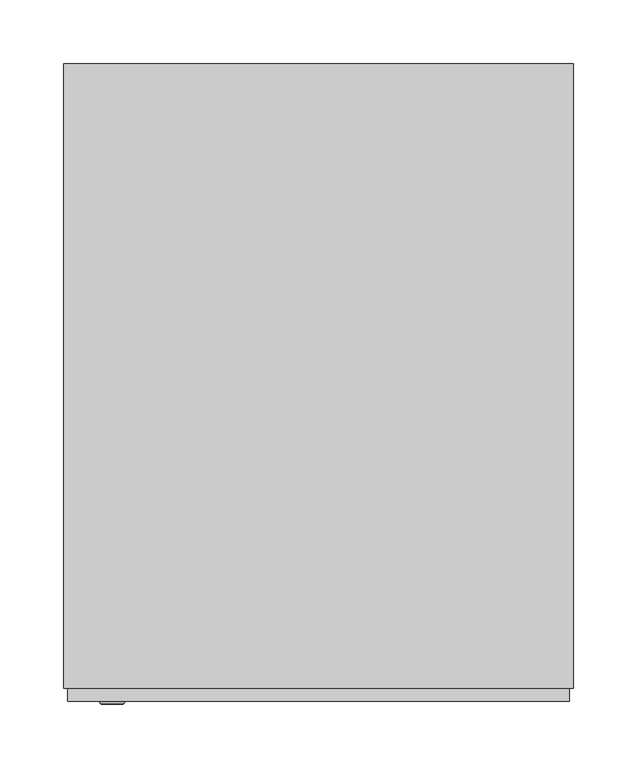
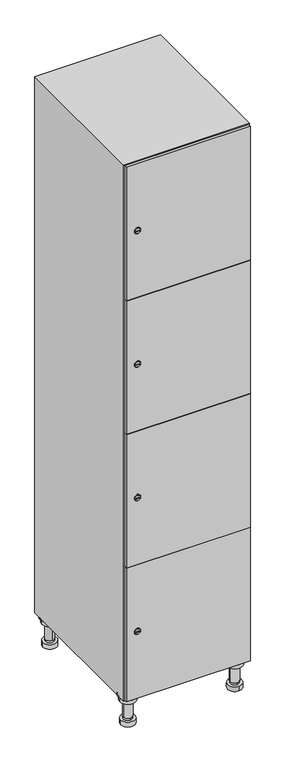
"""IFC4 building model written with IfcOpenShell, lengths in millimetres: furniture geometry."""

from ifc_helpers import new_model, si_unit, point, frame, frame_2d, origin, place, context, project, spatial, polyline, circle_curve, trimmed, segment, composite_curve, outline, extrude, faceted_brep, source, transform, mapped, element, save
from ifc_brep_helpers import plane_surface, cylinder_surface, revolved_surface, advanced_brep


def furniture_ac4beac0(model_context):
    return source(origin(), model_context, "Body", "SolidModel", [
        advanced_brep(
        [(170.0, -201.0, 22.0), (170.0, -201.5, 16.0), (170.0, -228.5, 16.0), (170.0, -229.0, 22.0), (156.0, -215.0, 22.0), (184.0, -215.0, 22.0), (170.0, -192.5, 16.0), (170.0, -237.5, 16.0), (170.0, -192.5, 0.0), (170.0, -237.5, 0.0), (184.0, -215.0, 78.0), (156.0, -215.0, 78.0), (195.0, -215.0, 78.0), (145.0, -215.0, 78.0), (200.0, -215.0, 94.0), (140.0, -215.0, 94.0), (145.0, -215.0, 94.0), (195.0, -215.0, 94.0), (200.0, -215.0, 100.0), (140.0, -215.0, 100.0)],
        [
            (0, 1),
            (1, 2, circle_curve(frame((170.0, -215.0, 16.0), z_axis=(0.0, 0.0, 1.0), x_axis=(0.0, -1.0, 0.0)), 13.5)),
            (2, 3),
            (3, 4, circle_curve(frame((170.0, -215.0, 22.0), z_axis=(0.0, 0.0, -1.0), x_axis=(0.0, -1.0, 0.0)), 14.0)),
            (4, 0, circle_curve(frame((170.0, -215.0, 22.0), z_axis=(0.0, 0.0, -1.0), x_axis=(0.0, -1.0, 0.0)), 14.0)),
            (0, 5, circle_curve(frame((170.0, -215.0, 22.0), z_axis=(0.0, 0.0, -1.0), x_axis=(0.0, 1.0, 0.0)), 14.0)),
            (5, 3, circle_curve(frame((170.0, -215.0, 22.0), z_axis=(0.0, 0.0, -1.0), x_axis=(0.0, 1.0, 0.0)), 14.0)),
            (2, 1, circle_curve(frame((170.0, -215.0, 16.0), z_axis=(0.0, 0.0, 1.0), x_axis=(0.0, 1.0, 0.0)), 13.5)),
            (6, 7, circle_curve(frame((170.0, -215.0, 16.0), z_axis=(0.0, 0.0, 1.0), x_axis=(0.0, -1.0, 0.0)), 22.5)),
            (7, 6, circle_curve(frame((170.0, -215.0, 16.0), z_axis=(0.0, 0.0, 1.0), x_axis=(0.0, -1.0, 0.0)), 22.5)),
            (8, 9, circle_curve(frame((170.0, -215.0, 0.0), z_axis=(0.0, 0.0, -1.0), x_axis=(0.0, -1.0, 0.0)), 22.5)),
            (9, 8, circle_curve(frame((170.0, -215.0, 0.0), z_axis=(0.0, 0.0, -1.0), x_axis=(0.0, -1.0, 0.0)), 22.5)),
            (6, 8),
            (9, 7),
            (5, 10),
            (10, 11, circle_curve(frame((170.0, -215.0, 78.0), z_axis=(0.0, 0.0, -1.0), x_axis=(-1.0, 0.0, 0.0)), 14.0)),
            (11, 4),
            (11, 10, circle_curve(frame((170.0, -215.0, 78.0), z_axis=(0.0, 0.0, -1.0), x_axis=(-1.0, 0.0, 0.0)), 14.0)),
            (12, 13, circle_curve(frame((170.0, -215.0, 78.0), z_axis=(0.0, 0.0, -1.0), x_axis=(-1.0, 0.0, 0.0)), 25.0)),
            (13, 12, circle_curve(frame((170.0, -215.0, 78.0), z_axis=(0.0, 0.0, -1.0), x_axis=(-1.0, 0.0, 0.0)), 25.0)),
            (14, 15, circle_curve(frame((170.0, -215.0, 94.0), z_axis=(0.0, 0.0, -1.0), x_axis=(-1.0, 0.0, 0.0)), 30.0)),
            (15, 14, circle_curve(frame((170.0, -215.0, 94.0), z_axis=(0.0, 0.0, -1.0), x_axis=(-1.0, 0.0, 0.0)), 30.0)),
            (16, 17, circle_curve(frame((170.0, -215.0, 94.0), z_axis=(0.0, 0.0, 1.0), x_axis=(-1.0, 0.0, 0.0)), 25.0)),
            (17, 16, circle_curve(frame((170.0, -215.0, 94.0), z_axis=(0.0, 0.0, 1.0), x_axis=(-1.0, 0.0, 0.0)), 25.0)),
            (18, 19, circle_curve(frame((170.0, -215.0, 100.0), z_axis=(0.0, 0.0, 1.0), x_axis=(-1.0, 0.0, 0.0)), 30.0)),
            (19, 18, circle_curve(frame((170.0, -215.0, 100.0), z_axis=(0.0, 0.0, 1.0), x_axis=(-1.0, 0.0, 0.0)), 30.0)),
            (14, 18),
            (19, 15),
            (12, 17),
            (16, 13),
        ],
        [
            revolved_surface(polyline([(170.0, -201.5, 16.0), (170.0, -201.0, 22.0)]), (170.0, -215.0, -146.0), (0.0, 0.0, 1.0)),
            plane_surface(frame((170.0, 0.0, 16.0), z_axis=(0.0, 0.0, 1.0), x_axis=(0.0, -1.0, 0.0))),
            plane_surface(frame((170.0, 0.0, 0.0), z_axis=(0.0, 0.0, -1.0), x_axis=(0.0, -1.0, 0.0))),
            cylinder_surface(frame((170.0, -215.0, 16.0), z_axis=(0.0, 0.0, 1.0), x_axis=(0.0, -1.0, 0.0)), 22.5),
            cylinder_surface(frame((170.0, -215.0, 22.0), z_axis=(0.0, 0.0, -1.0), x_axis=(-1.0, 0.0, 0.0)), 14.0),
            plane_surface(frame((170.0, 0.0, 78.0), z_axis=(0.0, 0.0, -1.0), x_axis=(0.0, -1.0, 0.0))),
            plane_surface(frame((170.0, 0.0, 94.0), z_axis=(0.0, 0.0, -1.0), x_axis=(0.0, -1.0, 0.0))),
            plane_surface(frame((170.0, 0.0, 100.0), z_axis=(0.0, 0.0, 1.0), x_axis=(0.0, -1.0, 0.0))),
            cylinder_surface(frame((170.0, -215.0, 94.0), z_axis=(0.0, 0.0, -1.0), x_axis=(-1.0, 0.0, 0.0)), 30.0),
            cylinder_surface(frame((170.0, -215.0, 78.0), z_axis=(0.0, 0.0, -1.0), x_axis=(-1.0, 0.0, 0.0)), 25.0),
        ],
        [
            (0, [[1, 2, 3, 4, 5]]),
            (0, [[-1, 6, 7, -3, 8]]),
            (1, [[9, 10], [-2, -8]]),
            (2, [[11, 12]]),
            (3, [[-9, 13, -12, 14]]),
            (3, [[-10, -14, -11, -13]]),
            (4, [[15, 16, 17, -4, -7]]),
            (4, [[-15, -6, -5, -17, 18]]),
            (5, [[19, 20], [-16, -18]]),
            (6, [[21, 22], [23, 24]]),
            (7, [[25, 26]]),
            (8, [[-21, 27, -26, 28]]),
            (8, [[-22, -28, -25, -27]]),
            (9, [[-19, 29, -23, 30]]),
            (9, [[-20, -30, -24, -29]]),
        ],
    ),
        advanced_brep(
        [(-170.0, -201.0, 22.0), (-170.0, -201.5, 16.0), (-170.0, -228.5, 16.0), (-170.0, -229.0, 22.0), (-184.0, -215.0, 22.0), (-156.0, -215.0, 22.0), (-147.5, -215.0, 0.0), (-192.5, -215.0, 0.0), (-147.5, -215.0, 16.0), (-192.5, -215.0, 16.0), (-156.0, -215.0, 78.0), (-184.0, -215.0, 78.0), (-145.0, -215.0, 78.0), (-195.0, -215.0, 78.0), (-140.0, -215.0, 94.0), (-200.0, -215.0, 94.0), (-195.0, -215.0, 94.0), (-145.0, -215.0, 94.0), (-140.0, -215.0, 100.0), (-200.0, -215.0, 100.0)],
        [
            (0, 1),
            (1, 2, circle_curve(frame((-170.0, -215.0, 16.0), z_axis=(0.0, 0.0, 1.0), x_axis=(0.0, -1.0, 0.0)), 13.5)),
            (2, 3),
            (3, 4, circle_curve(frame((-170.0, -215.0, 22.0), z_axis=(0.0, 0.0, -1.0), x_axis=(0.0, -1.0, 0.0)), 14.0)),
            (4, 0, circle_curve(frame((-170.0, -215.0, 22.0), z_axis=(0.0, 0.0, -1.0), x_axis=(0.0, -1.0, 0.0)), 14.0)),
            (0, 5, circle_curve(frame((-170.0, -215.0, 22.0), z_axis=(0.0, 0.0, -1.0), x_axis=(0.0, 1.0, 0.0)), 14.0)),
            (5, 3, circle_curve(frame((-170.0, -215.0, 22.0), z_axis=(0.0, 0.0, -1.0), x_axis=(0.0, 1.0, 0.0)), 14.0)),
            (2, 1, circle_curve(frame((-170.0, -215.0, 16.0), z_axis=(0.0, 0.0, 1.0), x_axis=(0.0, 1.0, 0.0)), 13.5)),
            (6, 7, circle_curve(frame((-170.0, -215.0, 0.0), z_axis=(0.0, 0.0, -1.0), x_axis=(-1.0, 0.0, 0.0)), 22.5)),
            (7, 6, circle_curve(frame((-170.0, -215.0, 0.0), z_axis=(0.0, 0.0, -1.0), x_axis=(-1.0, 0.0, 0.0)), 22.5)),
            (8, 9, circle_curve(frame((-170.0, -215.0, 16.0), z_axis=(0.0, 0.0, 1.0), x_axis=(-1.0, 0.0, 0.0)), 22.5)),
            (9, 8, circle_curve(frame((-170.0, -215.0, 16.0), z_axis=(0.0, 0.0, 1.0), x_axis=(-1.0, 0.0, 0.0)), 22.5)),
            (6, 8),
            (9, 7),
            (5, 10),
            (10, 11, circle_curve(frame((-170.0, -215.0, 78.0), z_axis=(0.0, 0.0, -1.0), x_axis=(-1.0, 0.0, 0.0)), 14.0)),
            (11, 4),
            (11, 10, circle_curve(frame((-170.0, -215.0, 78.0), z_axis=(0.0, 0.0, -1.0), x_axis=(-1.0, 0.0, 0.0)), 14.0)),
            (12, 13, circle_curve(frame((-170.0, -215.0, 78.0), z_axis=(0.0, 0.0, -1.0), x_axis=(-1.0, 0.0, 0.0)), 25.0)),
            (13, 12, circle_curve(frame((-170.0, -215.0, 78.0), z_axis=(0.0, 0.0, -1.0), x_axis=(-1.0, 0.0, 0.0)), 25.0)),
            (14, 15, circle_curve(frame((-170.0, -215.0, 94.0), z_axis=(0.0, 0.0, -1.0), x_axis=(-1.0, 0.0, 0.0)), 30.0)),
            (15, 14, circle_curve(frame((-170.0, -215.0, 94.0), z_axis=(0.0, 0.0, -1.0), x_axis=(-1.0, 0.0, 0.0)), 30.0)),
            (16, 17, circle_curve(frame((-170.0, -215.0, 94.0), z_axis=(0.0, 0.0, 1.0), x_axis=(-1.0, 0.0, 0.0)), 25.0)),
            (17, 16, circle_curve(frame((-170.0, -215.0, 94.0), z_axis=(0.0, 0.0, 1.0), x_axis=(-1.0, 0.0, 0.0)), 25.0)),
            (18, 19, circle_curve(frame((-170.0, -215.0, 100.0), z_axis=(0.0, 0.0, 1.0), x_axis=(-1.0, 0.0, 0.0)), 30.0)),
            (19, 18, circle_curve(frame((-170.0, -215.0, 100.0), z_axis=(0.0, 0.0, 1.0), x_axis=(-1.0, 0.0, 0.0)), 30.0)),
            (14, 18),
            (19, 15),
            (12, 17),
            (16, 13),
        ],
        [
            revolved_surface(polyline([(-170.0, -201.5, 16.0), (-170.0, -201.0, 22.0)]), (-170.0, -215.0, -146.0), (0.0, 0.0, 1.0)),
            plane_surface(frame((-170.0, 0.0, 0.0), z_axis=(0.0, 0.0, -1.0), x_axis=(0.0, -1.0, 0.0))),
            plane_surface(frame((-170.0, 0.0, 16.0), z_axis=(0.0, 0.0, 1.0), x_axis=(0.0, -1.0, 0.0))),
            cylinder_surface(frame((-170.0, -215.0, 0.0), z_axis=(0.0, 0.0, -1.0), x_axis=(-1.0, 0.0, 0.0)), 22.5),
            cylinder_surface(frame((-170.0, -215.0, 22.0), z_axis=(0.0, 0.0, -1.0), x_axis=(-1.0, 0.0, 0.0)), 14.0),
            plane_surface(frame((-170.0, 0.0, 78.0), z_axis=(0.0, 0.0, -1.0), x_axis=(0.0, -1.0, 0.0))),
            plane_surface(frame((-170.0, 0.0, 94.0), z_axis=(0.0, 0.0, -1.0), x_axis=(0.0, -1.0, 0.0))),
            plane_surface(frame((-170.0, 0.0, 100.0), z_axis=(0.0, 0.0, 1.0), x_axis=(0.0, -1.0, 0.0))),
            cylinder_surface(frame((-170.0, -215.0, 94.0), z_axis=(0.0, 0.0, -1.0), x_axis=(-1.0, 0.0, 0.0)), 30.0),
            cylinder_surface(frame((-170.0, -215.0, 78.0), z_axis=(0.0, 0.0, -1.0), x_axis=(-1.0, 0.0, 0.0)), 25.0),
        ],
        [
            (0, [[1, 2, 3, 4, 5]]),
            (0, [[-1, 6, 7, -3, 8]]),
            (1, [[9, 10]]),
            (2, [[11, 12], [-2, -8]]),
            (3, [[-9, 13, -12, 14]]),
            (3, [[-10, -14, -11, -13]]),
            (4, [[15, 16, 17, -4, -7]]),
            (4, [[-15, -6, -5, -17, 18]]),
            (5, [[19, 20], [-16, -18]]),
            (6, [[21, 22], [23, 24]]),
            (7, [[25, 26]]),
            (8, [[-21, 27, -26, 28]]),
            (8, [[-22, -28, -25, -27]]),
            (9, [[-19, 29, -23, 30]]),
            (9, [[-20, -30, -24, -29]]),
        ],
    ),
        advanced_brep(
        [(183.5, 215.0, 16.0), (184.0, 215.0, 22.0), (156.0, 215.0, 22.0), (156.5, 215.0, 16.0), (192.5, 215.0, 0.0), (147.5, 215.0, 0.0), (192.5, 215.0, 16.0), (147.5, 215.0, 16.0), (184.0, 215.0, 78.0), (156.0, 215.0, 78.0), (195.0, 215.0, 78.0), (145.0, 215.0, 78.0), (200.0, 215.0, 94.0), (140.0, 215.0, 94.0), (145.0, 215.0, 94.0), (195.0, 215.0, 94.0), (200.0, 215.0, 100.0), (140.0, 215.0, 100.0)],
        [
            (0, 1),
            (1, 2, circle_curve(frame((170.0, 215.0, 22.0), z_axis=(0.0, 0.0, -1.0), x_axis=(-1.0, 0.0, 0.0)), 14.0)),
            (2, 3),
            (3, 0, circle_curve(frame((170.0, 215.0, 16.0), z_axis=(0.0, 0.0, 1.0), x_axis=(-1.0, 0.0, 0.0)), 13.5)),
            (0, 3, circle_curve(frame((170.0, 215.0, 16.0), z_axis=(0.0, 0.0, 1.0), x_axis=(1.0, 0.0, 0.0)), 13.5)),
            (2, 1, circle_curve(frame((170.0, 215.0, 22.0), z_axis=(0.0, 0.0, -1.0), x_axis=(1.0, 0.0, 0.0)), 14.0)),
            (4, 5, circle_curve(frame((170.0, 215.0, 0.0), z_axis=(0.0, 0.0, -1.0), x_axis=(-1.0, 0.0, 0.0)), 22.5)),
            (5, 4, circle_curve(frame((170.0, 215.0, 0.0), z_axis=(0.0, 0.0, -1.0), x_axis=(-1.0, 0.0, 0.0)), 22.5)),
            (6, 7, circle_curve(frame((170.0, 215.0, 16.0), z_axis=(0.0, 0.0, 1.0), x_axis=(-1.0, 0.0, 0.0)), 22.5)),
            (7, 6, circle_curve(frame((170.0, 215.0, 16.0), z_axis=(0.0, 0.0, 1.0), x_axis=(-1.0, 0.0, 0.0)), 22.5)),
            (4, 6),
            (7, 5),
            (1, 8),
            (8, 9, circle_curve(frame((170.0, 215.0, 78.0), z_axis=(0.0, 0.0, -1.0), x_axis=(-1.0, 0.0, 0.0)), 14.0)),
            (9, 2),
            (9, 8, circle_curve(frame((170.0, 215.0, 78.0), z_axis=(0.0, 0.0, -1.0), x_axis=(-1.0, 0.0, 0.0)), 14.0)),
            (10, 11, circle_curve(frame((170.0, 215.0, 78.0), z_axis=(0.0, 0.0, -1.0), x_axis=(-1.0, 0.0, 0.0)), 25.0)),
            (11, 10, circle_curve(frame((170.0, 215.0, 78.0), z_axis=(0.0, 0.0, -1.0), x_axis=(-1.0, 0.0, 0.0)), 25.0)),
            (12, 13, circle_curve(frame((170.0, 215.0, 94.0), z_axis=(0.0, 0.0, -1.0), x_axis=(-1.0, 0.0, 0.0)), 30.0)),
            (13, 12, circle_curve(frame((170.0, 215.0, 94.0), z_axis=(0.0, 0.0, -1.0), x_axis=(-1.0, 0.0, 0.0)), 30.0)),
            (14, 15, circle_curve(frame((170.0, 215.0, 94.0), z_axis=(0.0, 0.0, 1.0), x_axis=(-1.0, 0.0, 0.0)), 25.0)),
            (15, 14, circle_curve(frame((170.0, 215.0, 94.0), z_axis=(0.0, 0.0, 1.0), x_axis=(-1.0, 0.0, 0.0)), 25.0)),
            (16, 17, circle_curve(frame((170.0, 215.0, 100.0), z_axis=(0.0, 0.0, 1.0), x_axis=(-1.0, 0.0, 0.0)), 30.0)),
            (17, 16, circle_curve(frame((170.0, 215.0, 100.0), z_axis=(0.0, 0.0, 1.0), x_axis=(-1.0, 0.0, 0.0)), 30.0)),
            (12, 16),
            (17, 13),
            (10, 15),
            (14, 11),
        ],
        [
            revolved_surface(polyline([(183.5, 215.0, 16.0), (184.0, 215.0, 22.0)]), (170.0, 215.0, -146.0), (0.0, 0.0, 1.0)),
            plane_surface(frame((170.0, 0.0, 0.0), z_axis=(0.0, 0.0, -1.0), x_axis=(0.0, -1.0, 0.0))),
            plane_surface(frame((170.0, 0.0, 16.0), z_axis=(0.0, 0.0, 1.0), x_axis=(0.0, -1.0, 0.0))),
            cylinder_surface(frame((170.0, 215.0, 0.0), z_axis=(0.0, 0.0, -1.0), x_axis=(-1.0, 0.0, 0.0)), 22.5),
            cylinder_surface(frame((170.0, 215.0, 22.0), z_axis=(0.0, 0.0, -1.0), x_axis=(-1.0, 0.0, 0.0)), 14.0),
            plane_surface(frame((170.0, 0.0, 78.0), z_axis=(0.0, 0.0, -1.0), x_axis=(0.0, -1.0, 0.0))),
            plane_surface(frame((170.0, 0.0, 94.0), z_axis=(0.0, 0.0, -1.0), x_axis=(0.0, -1.0, 0.0))),
            plane_surface(frame((170.0, 0.0, 100.0), z_axis=(0.0, 0.0, 1.0), x_axis=(0.0, -1.0, 0.0))),
            cylinder_surface(frame((170.0, 215.0, 94.0), z_axis=(0.0, 0.0, -1.0), x_axis=(-1.0, 0.0, 0.0)), 30.0),
            cylinder_surface(frame((170.0, 215.0, 78.0), z_axis=(0.0, 0.0, -1.0), x_axis=(-1.0, 0.0, 0.0)), 25.0),
        ],
        [
            (0, [[1, 2, 3, 4]]),
            (0, [[-1, 5, -3, 6]]),
            (1, [[7, 8]]),
            (2, [[9, 10], [-4, -5]]),
            (3, [[-7, 11, -10, 12]]),
            (3, [[-8, -12, -9, -11]]),
            (4, [[13, 14, 15, -2]]),
            (4, [[-13, -6, -15, 16]]),
            (5, [[17, 18], [-14, -16]]),
            (6, [[19, 20], [21, 22]]),
            (7, [[23, 24]]),
            (8, [[-19, 25, -24, 26]]),
            (8, [[-20, -26, -23, -25]]),
            (9, [[-17, 27, -21, 28]]),
            (9, [[-18, -28, -22, -27]]),
        ],
    ),
        advanced_brep(
        [(-156.5, 215.0, 16.0), (-156.0, 215.0, 22.0), (-170.0, 201.0, 22.0), (-184.0, 215.0, 22.0), (-183.5, 215.0, 16.0), (-170.0, 229.0, 22.0), (-147.5, 215.0, 0.0), (-192.5, 215.0, 0.0), (-147.5, 215.0, 16.0), (-192.5, 215.0, 16.0), (-170.0, 229.0, 78.0), (-170.0, 201.0, 78.0), (-145.0, 215.0, 78.0), (-195.0, 215.0, 78.0), (-140.0, 215.0, 94.0), (-200.0, 215.0, 94.0), (-195.0, 215.0, 94.0), (-145.0, 215.0, 94.0), (-140.0, 215.0, 100.0), (-200.0, 215.0, 100.0)],
        [
            (0, 1),
            (1, 2, circle_curve(frame((-170.0, 215.0, 22.0), z_axis=(0.0, 0.0, -1.0), x_axis=(-1.0, 0.0, 0.0)), 14.0)),
            (2, 3, circle_curve(frame((-170.0, 215.0, 22.0), z_axis=(0.0, 0.0, -1.0), x_axis=(-1.0, 0.0, 0.0)), 14.0)),
            (3, 4),
            (4, 0, circle_curve(frame((-170.0, 215.0, 16.0), z_axis=(0.0, 0.0, 1.0), x_axis=(-1.0, 0.0, 0.0)), 13.5)),
            (0, 4, circle_curve(frame((-170.0, 215.0, 16.0), z_axis=(0.0, 0.0, 1.0), x_axis=(1.0, 0.0, 0.0)), 13.5)),
            (3, 5, circle_curve(frame((-170.0, 215.0, 22.0), z_axis=(0.0, 0.0, -1.0), x_axis=(1.0, 0.0, 0.0)), 14.0)),
            (5, 1, circle_curve(frame((-170.0, 215.0, 22.0), z_axis=(0.0, 0.0, -1.0), x_axis=(1.0, 0.0, 0.0)), 14.0)),
            (6, 7, circle_curve(frame((-170.0, 215.0, 0.0), z_axis=(0.0, 0.0, -1.0), x_axis=(-1.0, 0.0, 0.0)), 22.5)),
            (7, 6, circle_curve(frame((-170.0, 215.0, 0.0), z_axis=(0.0, 0.0, -1.0), x_axis=(-1.0, 0.0, 0.0)), 22.5)),
            (8, 9, circle_curve(frame((-170.0, 215.0, 16.0), z_axis=(0.0, 0.0, 1.0), x_axis=(-1.0, 0.0, 0.0)), 22.5)),
            (9, 8, circle_curve(frame((-170.0, 215.0, 16.0), z_axis=(0.0, 0.0, 1.0), x_axis=(-1.0, 0.0, 0.0)), 22.5)),
            (6, 8),
            (9, 7),
            (10, 5),
            (2, 11),
            (11, 10, circle_curve(frame((-170.0, 215.0, 78.0), z_axis=(0.0, 0.0, -1.0), x_axis=(0.0, -1.0, 0.0)), 14.0)),
            (10, 11, circle_curve(frame((-170.0, 215.0, 78.0), z_axis=(0.0, 0.0, -1.0), x_axis=(0.0, -1.0, 0.0)), 14.0)),
            (12, 13, circle_curve(frame((-170.0, 215.0, 78.0), z_axis=(0.0, 0.0, -1.0), x_axis=(-1.0, 0.0, 0.0)), 25.0)),
            (13, 12, circle_curve(frame((-170.0, 215.0, 78.0), z_axis=(0.0, 0.0, -1.0), x_axis=(-1.0, 0.0, 0.0)), 25.0)),
            (14, 15, circle_curve(frame((-170.0, 215.0, 94.0), z_axis=(0.0, 0.0, -1.0), x_axis=(-1.0, 0.0, 0.0)), 30.0)),
            (15, 14, circle_curve(frame((-170.0, 215.0, 94.0), z_axis=(0.0, 0.0, -1.0), x_axis=(-1.0, 0.0, 0.0)), 30.0)),
            (16, 17, circle_curve(frame((-170.0, 215.0, 94.0), z_axis=(0.0, 0.0, 1.0), x_axis=(-1.0, 0.0, 0.0)), 25.0)),
            (17, 16, circle_curve(frame((-170.0, 215.0, 94.0), z_axis=(0.0, 0.0, 1.0), x_axis=(-1.0, 0.0, 0.0)), 25.0)),
            (18, 19, circle_curve(frame((-170.0, 215.0, 100.0), z_axis=(0.0, 0.0, 1.0), x_axis=(-1.0, 0.0, 0.0)), 30.0)),
            (19, 18, circle_curve(frame((-170.0, 215.0, 100.0), z_axis=(0.0, 0.0, 1.0), x_axis=(-1.0, 0.0, 0.0)), 30.0)),
            (14, 18),
            (19, 15),
            (12, 17),
            (16, 13),
        ],
        [
            revolved_surface(polyline([(-156.5, 215.0, 16.0), (-156.0, 215.0, 22.0)]), (-170.0, 215.0, -146.0), (0.0, 0.0, 1.0)),
            plane_surface(frame((-170.0, 0.0, 0.0), z_axis=(0.0, 0.0, -1.0), x_axis=(0.0, -1.0, 0.0))),
            plane_surface(frame((-170.0, 0.0, 16.0), z_axis=(0.0, 0.0, 1.0), x_axis=(0.0, -1.0, 0.0))),
            cylinder_surface(frame((-170.0, 215.0, 0.0), z_axis=(0.0, 0.0, -1.0), x_axis=(-1.0, 0.0, 0.0)), 22.5),
            cylinder_surface(frame((-170.0, 215.0, 78.0), z_axis=(0.0, 0.0, 1.0), x_axis=(0.0, -1.0, 0.0)), 14.0),
            plane_surface(frame((-170.0, 0.0, 78.0), z_axis=(0.0, 0.0, -1.0), x_axis=(0.0, -1.0, 0.0))),
            plane_surface(frame((-170.0, 0.0, 94.0), z_axis=(0.0, 0.0, -1.0), x_axis=(0.0, -1.0, 0.0))),
            plane_surface(frame((-170.0, 0.0, 100.0), z_axis=(0.0, 0.0, 1.0), x_axis=(0.0, -1.0, 0.0))),
            cylinder_surface(frame((-170.0, 215.0, 94.0), z_axis=(0.0, 0.0, -1.0), x_axis=(-1.0, 0.0, 0.0)), 30.0),
            cylinder_surface(frame((-170.0, 215.0, 78.0), z_axis=(0.0, 0.0, -1.0), x_axis=(-1.0, 0.0, 0.0)), 25.0),
        ],
        [
            (0, [[1, 2, 3, 4, 5]]),
            (0, [[-1, 6, -4, 7, 8]]),
            (1, [[9, 10]]),
            (2, [[11, 12], [-5, -6]]),
            (3, [[-9, 13, -12, 14]]),
            (3, [[-10, -14, -11, -13]]),
            (4, [[15, -7, -3, 16, 17]]),
            (4, [[-15, 18, -16, -2, -8]]),
            (5, [[19, 20], [-17, -18]]),
            (6, [[21, 22], [23, 24]]),
            (7, [[25, 26]]),
            (8, [[-21, 27, -26, 28]]),
            (8, [[-22, -28, -25, -27]]),
            (9, [[-19, 29, -23, 30]]),
            (9, [[-20, -30, -24, -29]]),
        ],
    ),
        extrude(outline(composite_curve([segment(trimmed(circle_curve(frame_2d((327.25, -188.7989466)), 7.0), [point((334.25, -188.7989466))], [point((320.25, -188.7989466))], False, "CARTESIAN"), True, "CONTINUOUS"), segment(polyline([(320.25, -188.7989466), (320.25, -160.7989466)]), True, "CONTINUOUS"), segment(trimmed(circle_curve(frame_2d((327.25, -160.7989466)), 7.0), [point((320.25, -160.7989466))], [point((334.25, -160.7989466))], False, "CARTESIAN"), True, "CONTINUOUS"), segment(polyline([(334.25, -160.7989466), (334.25, -188.7989466)]), True, "CONTINUOUS")], self_intersect=False)), frame((0.0, -245.0, 0.0), z_axis=(0.0, 1.0, 0.0), x_axis=(0.0, 0.0, 1.0)), (0.0, 0.0, 1.0), 2.0),
        advanced_brep(
        [(-153.5, -257.2, 327.25), (-170.5, -257.2, 327.25), (-167.0, -257.2, 326.0), (-167.0, -257.2, 328.5), (-157.0, -257.2, 328.5), (-157.0, -257.2, 326.0), (-151.5, -255.0, 327.25), (-172.5, -255.0, 327.25), (-167.0, -255.0, 328.5), (-167.0, -255.0, 326.0), (-157.0, -255.0, 326.0), (-157.0, -255.0, 328.5)],
        [
            (0, 1, circle_curve(frame((-162.0, -257.2, 327.25), z_axis=(0.0, -1.0, 0.0), x_axis=(1.0, 0.0, 0.0)), 8.5)),
            (1, 0, circle_curve(frame((-162.0, -257.2, 327.25), z_axis=(0.0, -1.0, 0.0), x_axis=(-1.0, 0.0, 0.0)), 8.5)),
            (2, 3),
            (3, 4),
            (4, 5),
            (5, 2),
            (6, 7, circle_curve(frame((-162.0, -255.0, 327.25), z_axis=(0.0, 1.0, 0.0), x_axis=(-1.0, 0.0, 0.0)), 10.5)),
            (7, 6, circle_curve(frame((-162.0, -255.0, 327.25), z_axis=(0.0, 1.0, 0.0), x_axis=(1.0, 0.0, 0.0)), 10.5)),
            (8, 9),
            (9, 10),
            (10, 11),
            (11, 8),
            (0, 6),
            (7, 1),
            (8, 3),
            (2, 9),
            (11, 4),
            (10, 5),
        ],
        [
            plane_surface(frame((-162.0, -257.2, 327.25), z_axis=(0.0, -1.0, 0.0), x_axis=(0.0, 0.0, 1.0))),
            plane_surface(frame((-162.0, -255.0, 327.25), z_axis=(0.0, 1.0, 0.0), x_axis=(0.0, 0.0, 1.0))),
            revolved_surface(polyline([(-153.5, -257.2, 327.25), (-151.5, -255.0, 327.25)]), (-162.0, -266.55, 327.25), (0.0, 1.0, 0.0)),
            revolved_surface(polyline([(-170.5, -257.2, 327.25), (-172.5, -255.0, 327.25)]), (-162.0, -266.55, 327.25), (0.0, 1.0, 0.0)),
            plane_surface(frame((-167.0, -255.0, 326.0), z_axis=(1.0, 0.0, 0.0), x_axis=(0.0, -1.0, 0.0))),
            plane_surface(frame((-167.0, -255.0, 328.5), z_axis=(0.0, 0.0, -1.0), x_axis=(0.0, -1.0, 0.0))),
            plane_surface(frame((-157.0, -255.0, 328.5), z_axis=(-1.0, 0.0, 0.0), x_axis=(0.0, -1.0, 0.0))),
            plane_surface(frame((-157.0, -255.0, 326.0), z_axis=(0.0, 0.0, 1.0), x_axis=(0.0, -1.0, 0.0))),
        ],
        [
            (0, [[1, 2], [3, 4, 5, 6]]),
            (1, [[7, 8], [9, 10, 11, 12]]),
            (2, [[-1, 13, -8, 14]]),
            (3, [[-2, -14, -7, -13]]),
            (4, [[15, -3, 16, -9]]),
            (5, [[-15, -12, 17, -4]]),
            (6, [[-17, -11, 18, -5]]),
            (7, [[-16, -6, -18, -10]]),
        ],
    ),
        extrude(outline(composite_curve([segment(trimmed(circle_curve(frame_2d((775.75, -188.7989466)), 7.0), [point((782.75, -188.7989466))], [point((768.75, -188.7989466))], False, "CARTESIAN"), True, "CONTINUOUS"), segment(polyline([(768.75, -188.7989466), (768.75, -160.7989466)]), True, "CONTINUOUS"), segment(trimmed(circle_curve(frame_2d((775.75, -160.7989466)), 7.0), [point((768.75, -160.7989466))], [point((782.75, -160.7989466))], False, "CARTESIAN"), True, "CONTINUOUS"), segment(polyline([(782.75, -160.7989466), (782.75, -188.7989466)]), True, "CONTINUOUS")], self_intersect=False)), frame((0.0, -245.0, 0.0), z_axis=(0.0, 1.0, 0.0), x_axis=(0.0, 0.0, 1.0)), (0.0, 0.0, 1.0), 2.0),
        advanced_brep(
        [(-153.5, -257.2, 775.75), (-170.5, -257.2, 775.75), (-167.0, -257.2, 774.5), (-167.0, -257.2, 777.0), (-157.0, -257.2, 777.0), (-157.0, -257.2, 774.5), (-151.5, -255.0, 775.75), (-172.5, -255.0, 775.75), (-167.0, -255.0, 777.0), (-167.0, -255.0, 774.5), (-157.0, -255.0, 774.5), (-157.0, -255.0, 777.0)],
        [
            (0, 1, circle_curve(frame((-162.0, -257.2, 775.75), z_axis=(0.0, -1.0, 0.0), x_axis=(1.0, 0.0, 0.0)), 8.5)),
            (1, 0, circle_curve(frame((-162.0, -257.2, 775.75), z_axis=(0.0, -1.0, 0.0), x_axis=(-1.0, 0.0, 0.0)), 8.5)),
            (2, 3),
            (3, 4),
            (4, 5),
            (5, 2),
            (6, 7, circle_curve(frame((-162.0, -255.0, 775.75), z_axis=(0.0, 1.0, 0.0), x_axis=(-1.0, 0.0, 0.0)), 10.5)),
            (7, 6, circle_curve(frame((-162.0, -255.0, 775.75), z_axis=(0.0, 1.0, 0.0), x_axis=(1.0, 0.0, 0.0)), 10.5)),
            (8, 9),
            (9, 10),
            (10, 11),
            (11, 8),
            (0, 6),
            (7, 1),
            (8, 3),
            (2, 9),
            (11, 4),
            (10, 5),
        ],
        [
            plane_surface(frame((-162.0, -257.2, 775.75), z_axis=(0.0, -1.0, 0.0), x_axis=(0.0, 0.0, 1.0))),
            plane_surface(frame((-162.0, -255.0, 775.75), z_axis=(0.0, 1.0, 0.0), x_axis=(0.0, 0.0, 1.0))),
            revolved_surface(polyline([(-153.5, -257.2, 775.75), (-151.5, -255.0, 775.75)]), (-162.0, -266.55, 775.75), (0.0, 1.0, 0.0)),
            revolved_surface(polyline([(-170.5, -257.2, 775.75), (-172.5, -255.0, 775.75)]), (-162.0, -266.55, 775.75), (0.0, 1.0, 0.0)),
            plane_surface(frame((-167.0, -255.0, 774.5), z_axis=(1.0, 0.0, 0.0), x_axis=(0.0, -1.0, 0.0))),
            plane_surface(frame((-167.0, -255.0, 777.0), z_axis=(0.0, 0.0, -1.0), x_axis=(0.0, -1.0, 0.0))),
            plane_surface(frame((-157.0, -255.0, 777.0), z_axis=(-1.0, 0.0, 0.0), x_axis=(0.0, -1.0, 0.0))),
            plane_surface(frame((-157.0, -255.0, 774.5), z_axis=(0.0, 0.0, 1.0), x_axis=(0.0, -1.0, 0.0))),
        ],
        [
            (0, [[1, 2], [3, 4, 5, 6]]),
            (1, [[7, 8], [9, 10, 11, 12]]),
            (2, [[-1, 13, -8, 14]]),
            (3, [[-2, -14, -7, -13]]),
            (4, [[15, -3, 16, -9]]),
            (5, [[-15, -12, 17, -4]]),
            (6, [[-17, -11, 18, -5]]),
            (7, [[-16, -6, -18, -10]]),
        ],
    ),
        extrude(outline(composite_curve([segment(trimmed(circle_curve(frame_2d((1224.25, -188.7989466)), 7.0), [point((1231.25, -188.7989466))], [point((1217.25, -188.7989466))], False, "CARTESIAN"), True, "CONTINUOUS"), segment(polyline([(1217.25, -188.7989466), (1217.25, -160.7989466)]), True, "CONTINUOUS"), segment(trimmed(circle_curve(frame_2d((1224.25, -160.7989466)), 7.0), [point((1217.25, -160.7989466))], [point((1231.25, -160.7989466))], False, "CARTESIAN"), True, "CONTINUOUS"), segment(polyline([(1231.25, -160.7989466), (1231.25, -188.7989466)]), True, "CONTINUOUS")], self_intersect=False)), frame((0.0, -245.0, 0.0), z_axis=(0.0, 1.0, 0.0), x_axis=(0.0, 0.0, 1.0)), (0.0, 0.0, 1.0), 2.0),
        advanced_brep(
        [(-153.5, -257.2, 1224.25), (-170.5, -257.2, 1224.25), (-167.0, -257.2, 1223.0), (-167.0, -257.2, 1225.5), (-157.0, -257.2, 1225.5), (-157.0, -257.2, 1223.0), (-151.5, -255.0, 1224.25), (-172.5, -255.0, 1224.25), (-167.0, -255.0, 1225.5), (-167.0, -255.0, 1223.0), (-157.0, -255.0, 1223.0), (-157.0, -255.0, 1225.5)],
        [
            (0, 1, circle_curve(frame((-162.0, -257.2, 1224.25), z_axis=(0.0, -1.0, 0.0), x_axis=(1.0, 0.0, 0.0)), 8.5)),
            (1, 0, circle_curve(frame((-162.0, -257.2, 1224.25), z_axis=(0.0, -1.0, 0.0), x_axis=(-1.0, 0.0, 0.0)), 8.5)),
            (2, 3),
            (3, 4),
            (4, 5),
            (5, 2),
            (6, 7, circle_curve(frame((-162.0, -255.0, 1224.25), z_axis=(0.0, 1.0, 0.0), x_axis=(-1.0, 0.0, 0.0)), 10.5)),
            (7, 6, circle_curve(frame((-162.0, -255.0, 1224.25), z_axis=(0.0, 1.0, 0.0), x_axis=(1.0, 0.0, 0.0)), 10.5)),
            (8, 9),
            (9, 10),
            (10, 11),
            (11, 8),
            (0, 6),
            (7, 1),
            (8, 3),
            (2, 9),
            (11, 4),
            (10, 5),
        ],
        [
            plane_surface(frame((-162.0, -257.2, 1224.25), z_axis=(0.0, -1.0, 0.0), x_axis=(0.0, 0.0, 1.0))),
            plane_surface(frame((-162.0, -255.0, 1224.25), z_axis=(0.0, 1.0, 0.0), x_axis=(0.0, 0.0, 1.0))),
            revolved_surface(polyline([(-153.5, -257.2, 1224.25), (-151.5, -255.0, 1224.25)]), (-162.0, -266.55, 1224.25), (0.0, 1.0, 0.0)),
            revolved_surface(polyline([(-170.5, -257.2, 1224.25), (-172.5, -255.0, 1224.25)]), (-162.0, -266.55, 1224.25), (0.0, 1.0, 0.0)),
            plane_surface(frame((-167.0, -255.0, 1223.0), z_axis=(1.0, 0.0, 0.0), x_axis=(0.0, -1.0, 0.0))),
            plane_surface(frame((-167.0, -255.0, 1225.5), z_axis=(0.0, 0.0, -1.0), x_axis=(0.0, -1.0, 0.0))),
            plane_surface(frame((-157.0, -255.0, 1225.5), z_axis=(-1.0, 0.0, 0.0), x_axis=(0.0, -1.0, 0.0))),
            plane_surface(frame((-157.0, -255.0, 1223.0), z_axis=(0.0, 0.0, 1.0), x_axis=(0.0, -1.0, 0.0))),
        ],
        [
            (0, [[1, 2], [3, 4, 5, 6]]),
            (1, [[7, 8], [9, 10, 11, 12]]),
            (2, [[-1, 13, -8, 14]]),
            (3, [[-2, -14, -7, -13]]),
            (4, [[15, -3, 16, -9]]),
            (5, [[-15, -12, 17, -4]]),
            (6, [[-17, -11, 18, -5]]),
            (7, [[-16, -6, -18, -10]]),
        ],
    ),
        extrude(outline(composite_curve([segment(trimmed(circle_curve(frame_2d((1672.75, -188.7989466)), 7.0), [point((1679.75, -188.7989466))], [point((1665.75, -188.7989466))], False, "CARTESIAN"), True, "CONTINUOUS"), segment(polyline([(1665.75, -188.7989466), (1665.75, -160.7989466)]), True, "CONTINUOUS"), segment(trimmed(circle_curve(frame_2d((1672.75, -160.7989466)), 7.0), [point((1665.75, -160.7989466))], [point((1679.75, -160.7989466))], False, "CARTESIAN"), True, "CONTINUOUS"), segment(polyline([(1679.75, -160.7989466), (1679.75, -188.7989466)]), True, "CONTINUOUS")], self_intersect=False)), frame((0.0, -245.0, 0.0), z_axis=(0.0, 1.0, 0.0), x_axis=(0.0, 0.0, 1.0)), (0.0, 0.0, 1.0), 2.0),
        advanced_brep(
        [(-153.5, -257.2, 1672.75), (-170.5, -257.2, 1672.75), (-167.0, -257.2, 1671.5), (-167.0, -257.2, 1674.0), (-157.0, -257.2, 1674.0), (-157.0, -257.2, 1671.5), (-151.5, -255.0, 1672.75), (-172.5, -255.0, 1672.75), (-167.0, -255.0, 1674.0), (-167.0, -255.0, 1671.5), (-157.0, -255.0, 1671.5), (-157.0, -255.0, 1674.0)],
        [
            (0, 1, circle_curve(frame((-162.0, -257.2, 1672.75), z_axis=(0.0, -1.0, 0.0), x_axis=(1.0, 0.0, 0.0)), 8.5)),
            (1, 0, circle_curve(frame((-162.0, -257.2, 1672.75), z_axis=(0.0, -1.0, 0.0), x_axis=(-1.0, 0.0, 0.0)), 8.5)),
            (2, 3),
            (3, 4),
            (4, 5),
            (5, 2),
            (6, 7, circle_curve(frame((-162.0, -255.0, 1672.75), z_axis=(0.0, 1.0, 0.0), x_axis=(-1.0, 0.0, 0.0)), 10.5)),
            (7, 6, circle_curve(frame((-162.0, -255.0, 1672.75), z_axis=(0.0, 1.0, 0.0), x_axis=(1.0, 0.0, 0.0)), 10.5)),
            (8, 9),
            (9, 10),
            (10, 11),
            (11, 8),
            (0, 6),
            (7, 1),
            (8, 3),
            (2, 9),
            (11, 4),
            (10, 5),
        ],
        [
            plane_surface(frame((-162.0, -257.2, 1672.75), z_axis=(0.0, -1.0, 0.0), x_axis=(0.0, 0.0, 1.0))),
            plane_surface(frame((-162.0, -255.0, 1672.75), z_axis=(0.0, 1.0, 0.0), x_axis=(0.0, 0.0, 1.0))),
            revolved_surface(polyline([(-153.5, -257.2, 1672.75), (-151.5, -255.0, 1672.75)]), (-162.0, -266.55, 1672.75), (0.0, 1.0, 0.0)),
            revolved_surface(polyline([(-170.5, -257.2, 1672.75), (-172.5, -255.0, 1672.75)]), (-162.0, -266.55, 1672.75), (0.0, 1.0, 0.0)),
            plane_surface(frame((-167.0, -255.0, 1671.5), z_axis=(1.0, 0.0, 0.0), x_axis=(0.0, -1.0, 0.0))),
            plane_surface(frame((-167.0, -255.0, 1674.0), z_axis=(0.0, 0.0, -1.0), x_axis=(0.0, -1.0, 0.0))),
            plane_surface(frame((-157.0, -255.0, 1674.0), z_axis=(-1.0, 0.0, 0.0), x_axis=(0.0, -1.0, 0.0))),
            plane_surface(frame((-157.0, -255.0, 1671.5), z_axis=(0.0, 0.0, 1.0), x_axis=(0.0, -1.0, 0.0))),
        ],
        [
            (0, [[1, 2], [3, 4, 5, 6]]),
            (1, [[7, 8], [9, 10, 11, 12]]),
            (2, [[-1, 13, -8, 14]]),
            (3, [[-2, -14, -7, -13]]),
            (4, [[15, -3, 16, -9]]),
            (5, [[-15, -12, 17, -4]]),
            (6, [[-17, -11, 18, -5]]),
            (7, [[-16, -6, -18, -10]]),
        ],
    ),
        extrude(outline(polyline([(197.0, -245.0), (197.0, -255.0), (-197.0, -255.0), (-197.0, -245.0), (197.0, -245.0)])), frame((0.0, 0.0, 551.0), z_axis=(0.0, 0.0, 1.0), x_axis=(1.0, 0.0, 0.0)), (0.0, 0.0, 1.0), 448.5),
        extrude(outline(polyline([(197.0, -245.0), (197.0, -255.0), (-197.0, -255.0), (-197.0, -245.0), (197.0, -245.0)])), frame((0.0, 0.0, 1000.5), z_axis=(0.0, 0.0, 1.0), x_axis=(1.0, 0.0, 0.0)), (0.0, 0.0, 1.0), 447.5),
        extrude(outline(polyline([(-197.0, -255.0), (-197.0, -245.0), (197.0, -245.0), (197.0, -255.0), (-197.0, -255.0)])), frame((0.0, 0.0, 1449.0), z_axis=(0.0, 0.0, 1.0), x_axis=(1.0, 0.0, 0.0)), (0.0, 0.0, 1.0), 448.0),
        extrude(outline(polyline([(197.0, -245.0), (197.0, -255.0), (-197.0, -255.0), (-197.0, -245.0), (197.0, -245.0)])), frame((0.0, 0.0, 103.0), z_axis=(0.0, 0.0, 1.0), x_axis=(1.0, 0.0, 0.0)), (0.0, 0.0, 1.0), 449.0),
        extrude(outline(polyline([(190.0, 241.0), (190.0, -235.0), (-190.0, -235.0), (-190.0, 241.0), (190.0, 241.0)])), frame((0.0, 0.0, 1440.0), z_axis=(0.0, 0.0, 1.0), x_axis=(1.0, 0.0, 0.0)), (0.0, 0.0, 1.0), 10.0),
        extrude(outline(polyline([(190.0, 241.0), (190.0, -235.0), (-190.0, -235.0), (-190.0, 241.0), (190.0, 241.0)])), frame((0.0, 0.0, 995.0), z_axis=(0.0, 0.0, 1.0), x_axis=(1.0, 0.0, 0.0)), (0.0, 0.0, 1.0), 10.0),
        extrude(outline(polyline([(190.0, 241.0), (190.0, -235.0), (-190.0, -235.0), (-190.0, 241.0), (190.0, 241.0)])), frame((0.0, 0.0, 550.0), z_axis=(0.0, 0.0, 1.0), x_axis=(1.0, 0.0, 0.0)), (0.0, 0.0, 1.0), 10.0),
        faceted_brep([(200.0, -245.0, 100.0), (200.0, -245.0, 1900.0), (-200.0, -245.0, 1900.0), (-200.0, -245.0, 100.0), (190.0, -245.0, 1890.0), (190.0, -245.0, 110.0), (-190.0, -245.0, 110.0), (-190.0, -245.0, 1890.0), (200.0, 245.0, 100.0), (-200.0, 245.0, 100.0), (200.0, 245.0, 1900.0), (-200.0, 245.0, 1900.0), (190.0, 241.0, 1890.0), (190.0, 241.0, 110.0), (-200.0, 245.0, 1890.0), (-190.0, 241.0, 1890.0), (-190.0, 241.0, 110.0)], [[[0, 1, 2, 3], [4, 5, 6, 7]], [[8, 0, 3, 9]], [[1, 0, 8, 10]], [[1, 10, 11, 2]], [[4, 12, 13, 5]], [[9, 3, 2, 11, 14]], [[10, 8, 9, 14, 11]], [[12, 15, 16, 13]], [[15, 7, 6, 16]], [[4, 7, 15, 12]], [[6, 5, 13, 16]]]),
    ])


if __name__ == "__main__":
    model = new_model("IFC4")
    model_context = context("Model", 3, world=origin())
    ifc_project = project(units=[si_unit("LENGTHUNIT", "METRE", prefix="MILLI")], contexts=[model_context])
    site = spatial("IfcSite", under=ifc_project)
    building = spatial("IfcBuilding", under=site)
    placement = place(None, origin())
    furniture_shape = furniture_ac4beac0(model_context)
    element("IfcFurniture", 1, at=placement, inside=building, context=model_context, shape_type="MappedRepresentation", body=[
        mapped(furniture_shape, transform((0.0, 0.0, 0.0), x_axis=(1.0, 0.0, 0.0), y_axis=(0.0, 1.0, 0.0), z_axis=(0.0, 0.0, 1.0))),
    ])
    save(model, "model.ifc")
